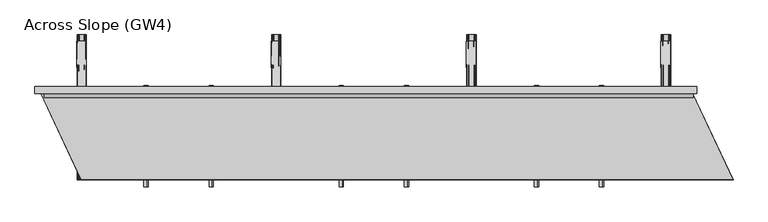
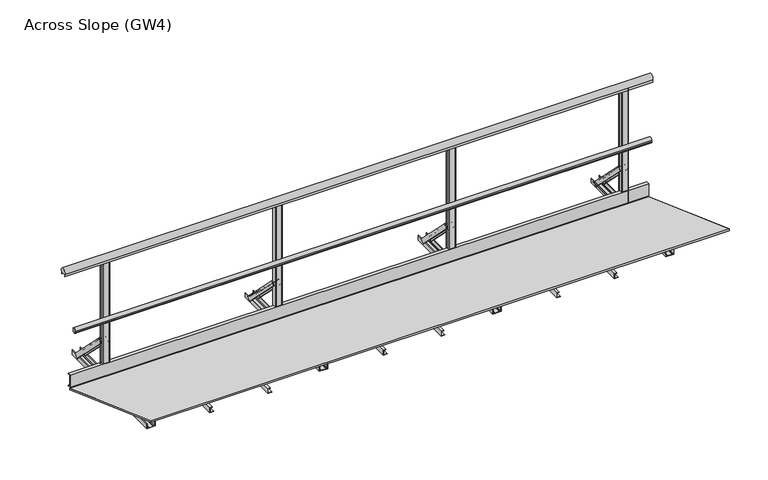
"""IFC4 building model written with IfcOpenShell, lengths in millimetres: proxy geometry, Across Slope (GW4)."""

from ifc_helpers import new_model, si_unit, point, frame, frame_2d, origin, origin_with_axes, place, context, project, spatial, polyline, circle_curve, trimmed, segment, composite_curve, outline, extrude, source, transform, mapped, element, save
from ifc_brep_helpers import plane_surface, extruded_surface, advanced_brep


def across_slope_gw4_aed16dc0(model_context):
    return source(origin(), model_context, "Body", "SolidModel", [
        extrude(outline(polyline([(622.0, 63.0), (597.0, 63.0), (597.0, 163.0), (622.0, 163.0), (622.0, 160.0), (600.0, 160.0), (600.0, 66.0), (622.0, 66.0), (622.0, 63.0)])), frame((0.0, 0.0, 0.0), z_axis=(1.0, 0.0, 0.0), x_axis=(0.0, 1.0, 0.0)), (0.0, 0.0, 1.0), 4489.1400263),
        extrude(outline(polyline([(2e-07, 3878.0133567), (2.0000002, 3878.0133567), (2.0000002, 3850.0133567), (38.0000002, 3850.0133567), (38.0000002, 3868.0133567), (40.0000002, 3868.0133567), (40.0000002, 3848.0133567), (2e-07, 3848.0133567), (2e-07, 3878.0133567)])), frame((0.0, -50.0, 0.0), z_axis=(0.0, 1.0, 0.0), x_axis=(0.0, 0.0, 1.0)), (0.0, 0.0, 1.0), 700.0),
        extrude(outline(polyline([(2e-07, 3429.8866871), (2.0000002, 3429.8866871), (2.0000002, 3401.8866871), (38.0000002, 3401.8866871), (38.0000002, 3419.8866871), (40.0000002, 3419.8866871), (40.0000002, 3399.8866871), (2e-07, 3399.8866871), (2e-07, 3429.8866871)])), frame((0.0, -50.0, 0.0), z_axis=(0.0, 1.0, 0.0), x_axis=(0.0, 0.0, 1.0)), (0.0, 0.0, 1.0), 700.0),
        extrude(outline(composite_curve([segment(polyline([(565.7, 520.617273), (569.7, 520.617273), (569.7, 535.382727), (565.7, 535.382727)]), True, "CONTINUOUS"), segment(trimmed(circle_curve(frame_2d((584.287505, 528.0)), 20.0), [point((565.7, 535.382727))], [point((600.0, 540.3740657))], False, "CARTESIAN"), True, "CONTINUOUS"), segment(polyline([(600.0, 540.3740657), (600.0, 515.6259343)]), True, "CONTINUOUS"), segment(trimmed(circle_curve(frame_2d((584.287505, 528.0)), 20.0), [point((600.0, 515.6259343))], [point((565.7, 520.617273))], False, "CARTESIAN"), True, "CONTINUOUS")], self_intersect=False)), frame((25.0, 0.0, 0.0), z_axis=(1.0, 0.0, 0.0), x_axis=(0.0, 1.0, 0.0)), (0.0, 0.0, 1.0), 4469.1400263),
        extrude(outline(composite_curve([segment(polyline([(640.0, 1001.43534), (640.0, 983.0), (639.0, 983.0), (639.0, 998.0), (599.0, 998.0), (599.0, 983.0), (598.0, 983.0), (598.0, 1001.43534)]), True, "CONTINUOUS"), segment(trimmed(circle_curve(frame_2d((619.0, 1015.0)), 25.0), [point((598.0, 1001.43534))], [point((640.0, 1001.43534))], False, "CARTESIAN"), True, "CONTINUOUS")], self_intersect=False)), frame((-40.0, 0.0, 0.0), z_axis=(1.0, 0.0, 0.0), x_axis=(0.0, 1.0, 0.0)), (0.0, 0.0, 1.0), 4559.1400263),
        extrude(outline(polyline([(2e-07, 2533.6333479), (2.0000002, 2533.6333479), (2.0000002, 2505.6333479), (38.0000002, 2505.6333479), (38.0000002, 2523.6333479), (40.0000002, 2523.6333479), (40.0000002, 2503.6333479), (2e-07, 2503.6333479), (2e-07, 2533.6333479)])), frame((0.0, -50.0, 0.0), z_axis=(0.0, 1.0, 0.0), x_axis=(0.0, 0.0, 1.0)), (0.0, 0.0, 1.0), 700.0),
        extrude(outline(polyline([(2e-07, 2085.5066783), (2.0000002, 2085.5066783), (2.0000002, 2057.5066783), (38.0000002, 2057.5066783), (38.0000002, 2075.5066783), (40.0000002, 2075.5066783), (40.0000002, 2055.5066783), (2e-07, 2055.5066783), (2e-07, 2085.5066783)])), frame((0.0, -50.0, 0.0), z_axis=(0.0, 1.0, 0.0), x_axis=(0.0, 0.0, 1.0)), (0.0, 0.0, 1.0), 700.0),
        extrude(outline(polyline([(2e-07, 1189.2533392), (2.0000002, 1189.2533392), (2.0000002, 1161.2533392), (38.0000002, 1161.2533392), (38.0000002, 1179.2533392), (40.0000002, 1179.2533392), (40.0000002, 1159.2533392), (2e-07, 1159.2533392), (2e-07, 1189.2533392)])), frame((0.0, -50.0, 0.0), z_axis=(0.0, 1.0, 0.0), x_axis=(0.0, 0.0, 1.0)), (0.0, 0.0, 1.0), 700.0),
        extrude(outline(polyline([(2e-07, 741.1266696), (2.0000002, 741.1266696), (2.0000002, 713.1266696), (38.0000002, 713.1266696), (38.0000002, 731.1266696), (40.0000002, 731.1266696), (40.0000002, 711.1266696), (2e-07, 711.1266696), (2e-07, 741.1266696)])), frame((0.0, -50.0, 0.0), z_axis=(0.0, 1.0, 0.0), x_axis=(0.0, 0.0, 1.0)), (0.0, 0.0, 1.0), 700.0),
        extrude(outline(composite_curve([segment(polyline([(2989.7600175, 600.0), (2943.7600175, 600.0)]), True, "CONTINUOUS"), segment(trimmed(circle_curve(frame_2d((2943.7600175, 605.0)), 5.0), [point((2943.7600175, 600.0))], [point((2938.7600175, 605.0))], False, "CARTESIAN"), True, "CONTINUOUS"), segment(polyline([(2938.7600175, 605.0), (2938.7600175, 633.0)]), True, "CONTINUOUS"), segment(trimmed(circle_curve(frame_2d((2943.7600175, 633.0)), 5.0), [point((2938.7600175, 633.0))], [point((2943.7600175, 638.0))], False, "CARTESIAN"), True, "CONTINUOUS"), segment(polyline([(2943.7600175, 638.0), (2989.7600175, 638.0)]), True, "CONTINUOUS"), segment(trimmed(circle_curve(frame_2d((2989.7600175, 633.0)), 5.0), [point((2989.7600175, 638.0))], [point((2994.7600175, 633.0))], False, "CARTESIAN"), True, "CONTINUOUS"), segment(polyline([(2994.7600175, 633.0), (2994.7600175, 605.0)]), True, "CONTINUOUS"), segment(trimmed(circle_curve(frame_2d((2989.7600175, 605.0)), 5.0), [point((2994.7600175, 605.0))], [point((2989.7600175, 600.0))], False, "CARTESIAN"), True, "CONTINUOUS")], self_intersect=False)), frame((0.0, 0.0, 2e-07), z_axis=(0.0, 0.0, 1.0), x_axis=(1.0, 0.0, 0.0)), (0.0, 0.0, 1.0), 998.0),
        advanced_brep(
        [(2931.2600175, 956.2087394, 38.0000002), (2996.2600175, 956.2087394, 38.0000002), (2996.2600175, 930.3993419, 12.1906027), (2993.2600175, 930.3993419, 12.1906027), (2993.2600175, 954.0874191, 35.8786799), (2983.2600175, 954.0874191, 35.8786799), (2983.2600175, 952.3196521, 34.110913), (2982.2600175, 952.3196521, 34.110913), (2982.2600175, 954.0874191, 35.8786799), (2945.2600175, 954.0874191, 35.8786799), (2945.2600175, 952.3196521, 34.110913), (2944.2600175, 952.3196521, 34.110913), (2944.2600175, 954.0874191, 35.8786799), (2934.2600175, 954.0874191, 35.8786799), (2934.2600175, 930.3993419, 12.1906027), (2931.2600175, 930.3993419, 12.1906027), (2934.2600175, 638.0106879, 356.1980518), (2934.2600175, 612.2012904, 330.3886543), (2937.2600175, 612.2012904, 330.3886543), (2937.2600175, 635.8893676, 354.0767314), (2947.2600175, 635.8893676, 354.0767314), (2947.2600175, 634.1216006, 352.3089645), (2948.2600175, 634.1216006, 352.3089645), (2948.2600175, 635.8893676, 354.0767314), (2985.2600175, 635.8893676, 354.0767314), (2985.2600175, 634.1216006, 352.3089645), (2986.2600175, 634.1216006, 352.3089645), (2986.2600175, 635.8893676, 354.0767314), (2996.2600175, 635.8893676, 354.0767314), (2996.2600175, 612.2012904, 330.3886543), (2999.2600175, 612.2012904, 330.3886543), (2999.2600175, 638.0106879, 356.1980518)],
        [
            (0, 1),
            (1, 2),
            (2, 3, circle_curve(frame((2994.7600175, 930.3993419, 12.1906027), z_axis=(0.0, 0.7071067811865434, -0.7071067811865518), x_axis=(0.0, -0.7071067811865518, -0.7071067811865434)), 1.5)),
            (3, 4),
            (4, 5),
            (5, 6),
            (6, 7, circle_curve(frame((2982.7600175, 952.3196521, 34.110913), z_axis=(0.0, 0.7071067811865434, -0.7071067811865518), x_axis=(0.0, -0.7071067811865518, -0.7071067811865434)), 0.5)),
            (7, 8),
            (8, 9),
            (9, 10),
            (10, 11, circle_curve(frame((2944.7600175, 952.3196521, 34.110913), z_axis=(0.0, 0.7071067811865434, -0.7071067811865518), x_axis=(0.0, -0.7071067811865518, -0.7071067811865434)), 0.5)),
            (11, 12),
            (12, 13),
            (13, 14),
            (14, 15, circle_curve(frame((2932.7600175, 930.3993419, 12.1906027), z_axis=(0.0, 0.7071067811865434, -0.7071067811865518), x_axis=(0.0, -0.7071067811865518, -0.7071067811865434)), 1.5)),
            (15, 0),
            (16, 17),
            (17, 18, circle_curve(frame((2935.7600175, 612.2012904, 330.3886543), z_axis=(0.0, -0.7071067811865434, 0.7071067811865518), x_axis=(0.0, -0.7071067811865518, -0.7071067811865434)), 1.5)),
            (18, 19),
            (19, 20),
            (20, 21),
            (21, 22, circle_curve(frame((2947.7600175, 634.1216006, 352.3089645), z_axis=(0.0, -0.7071067811865434, 0.7071067811865518), x_axis=(0.0, -0.7071067811865518, -0.7071067811865434)), 0.5)),
            (22, 23),
            (23, 24),
            (24, 25),
            (25, 26, circle_curve(frame((2985.7600175, 634.1216006, 352.3089645), z_axis=(0.0, -0.7071067811865434, 0.7071067811865518), x_axis=(0.0, -0.7071067811865518, -0.7071067811865434)), 0.5)),
            (26, 27),
            (27, 28),
            (28, 29),
            (29, 30, circle_curve(frame((2997.7600175, 612.2012904, 330.3886543), z_axis=(0.0, -0.7071067811865434, 0.7071067811865518), x_axis=(0.0, -0.7071067811865518, -0.7071067811865434)), 1.5)),
            (30, 31),
            (31, 16),
            (16, 0),
            (15, 17),
            (14, 18),
            (13, 19),
            (12, 20),
            (11, 21),
            (10, 22),
            (9, 23),
            (8, 24),
            (7, 25),
            (6, 26),
            (5, 27),
            (4, 28),
            (3, 29),
            (2, 30),
            (1, 31),
        ],
        [
            plane_surface(frame((2963.7600175, 947.9886231, 29.7798839), z_axis=(0.0, 0.7071067811865431, -0.7071067811865519), x_axis=(0.0, -0.7071067811865519, -0.7071067811865431))),
            plane_surface(frame((2966.7600175, 629.7905716, 347.9779354), z_axis=(0.0, -0.7071067811865432, 0.7071067811865518), x_axis=(0.0, -0.7071067811865518, -0.7071067811865432))),
            plane_surface(frame((2934.2600175, 625.1059891, 343.293353), z_axis=(-0.9999777785184911, -0.004713940454842056, 0.00471394045484199), x_axis=(0.0, -0.7071067811865519, -0.7071067811865431))),
            extruded_surface(trimmed(circle_curve(frame((2932.7600175, 930.3993419, 12.1906027), z_axis=(0.0, -0.7071067811865434, 0.7071067811865518), x_axis=(0.0, -0.7071067811865518, -0.7071067811865434)), 1.5), [point((2931.2600175, 930.3993419, 12.1906027))], [point((2934.2600175, 930.3993419, 12.1906027))], True, "CARTESIAN"), (3.0, -318.1980515, 318.1980516), 450.0099999115941),
            plane_surface(frame((2937.2600175, 624.045329, 342.2326929), z_axis=(0.9999777785184913, 0.004713940454842056, -0.004713940454841989), x_axis=(0.0, 0.707106781186552, 0.7071067811865432))),
            plane_surface(frame((2942.2600175, 635.8893676, 354.0767314), z_axis=(0.0, -0.7071067811865522, -0.7071067811865428), x_axis=(1.0, 0.0, 0.0))),
            plane_surface(frame((2947.2600175, 635.0054841, 353.192848), z_axis=(-0.9999777785184911, -0.004713940454842032, 0.004713940454842015), x_axis=(0.0, -0.7071067811865557, -0.7071067811865394))),
            extruded_surface(trimmed(circle_curve(frame((2944.7600175, 952.3196521, 34.110913), z_axis=(0.0, -0.7071067811865434, 0.7071067811865518), x_axis=(0.0, -0.7071067811865518, -0.7071067811865434)), 0.5), [point((2944.2600175, 952.3196521, 34.110913))], [point((2945.2600175, 952.3196521, 34.110913))], True, "CARTESIAN"), (3.0, -318.1980515, 318.1980515), 450.00999984088503),
            plane_surface(frame((2948.2600175, 635.0054841, 353.192848), z_axis=(0.9999777785184911, 0.004713940454842046, -0.004713940454842029), x_axis=(0.0, 0.7071067811865557, 0.7071067811865394))),
            plane_surface(frame((2966.7600175, 635.8893676, 354.0767314), z_axis=(0.0, -0.7071067811865522, -0.7071067811865428), x_axis=(1.0, 0.0, 0.0))),
            plane_surface(frame((2985.2600175, 635.0054841, 353.192848), z_axis=(-0.9999777785184911, -0.004713940454842039, 0.004713940454842022), x_axis=(0.0, -0.7071067811865557, -0.7071067811865394))),
            extruded_surface(trimmed(circle_curve(frame((2982.7600175, 952.3196521, 34.110913), z_axis=(0.0, -0.7071067811865434, 0.7071067811865518), x_axis=(0.0, -0.7071067811865518, -0.7071067811865434)), 0.5), [point((2982.2600175, 952.3196521, 34.110913))], [point((2983.2600175, 952.3196521, 34.110913))], True, "CARTESIAN"), (3.0, -318.1980515, 318.1980515), 450.00999984088503),
            plane_surface(frame((2986.2600175, 635.0054841, 353.192848), z_axis=(0.9999777785184911, 0.004713940454842066, -0.004713940454841993), x_axis=(0.0, 0.7071067811865515, 0.7071067811865436))),
            plane_surface(frame((2991.2600175, 635.8893676, 354.0767314), z_axis=(0.0, -0.707106781186552, -0.707106781186543), x_axis=(1.0, 0.0, 0.0))),
            plane_surface(frame((2996.2600175, 624.045329, 342.2326929), z_axis=(-0.9999777785184913, -0.004713940454842063, 0.004713940454841996), x_axis=(0.0, -0.707106781186552, -0.7071067811865432))),
            extruded_surface(trimmed(circle_curve(frame((2994.7600175, 930.3993419, 12.1906027), z_axis=(0.0, -0.7071067811865434, 0.7071067811865518), x_axis=(0.0, -0.7071067811865518, -0.7071067811865434)), 1.5), [point((2993.2600175, 930.3993419, 12.1906027))], [point((2996.2600175, 930.3993419, 12.1906027))], True, "CARTESIAN"), (3.0, -318.1980515, 318.1980516), 450.0099999115941),
            plane_surface(frame((2999.2600175, 625.1059891, 343.293353), z_axis=(0.9999777785184911, 0.004713940454842065, -0.0047139404548419955), x_axis=(0.0, 0.7071067811865517, 0.7071067811865434))),
            plane_surface(frame((2966.7600175, 638.0106879, 356.1980518), z_axis=(0.0, 0.7071067811865523, 0.7071067811865427), x_axis=(-1.0, 0.0, 0.0))),
        ],
        [
            (0, [[1, 2, 3, 4, 5, 6, 7, 8, 9, 10, 11, 12, 13, 14, 15, 16]]),
            (1, [[17, 18, 19, 20, 21, 22, 23, 24, 25, 26, 27, 28, 29, 30, 31, 32]]),
            (2, [[33, -16, 34, -17]]),
            (3, [[-34, -15, 35, -18]]),
            (4, [[-35, -14, 36, -19]]),
            (5, [[-36, -13, 37, -20]]),
            (6, [[-37, -12, 38, -21]]),
            (7, [[-38, -11, 39, -22]]),
            (8, [[-39, -10, 40, -23]]),
            (9, [[-40, -9, 41, -24]]),
            (10, [[-41, -8, 42, -25]]),
            (11, [[-42, -7, 43, -26]]),
            (12, [[-43, -6, 44, -27]]),
            (13, [[-44, -5, 45, -28]]),
            (14, [[-45, -4, 46, -29]]),
            (15, [[-46, -3, 47, -30]]),
            (16, [[-47, -2, 48, -31]]),
            (17, [[-48, -1, -33, -32]]),
        ],
    ),
        extrude(outline(composite_curve([segment(polyline([(2e-07, 2934.2600175), (2e-07, 2999.2600175), (36.5000002, 2999.2600175)]), True, "CONTINUOUS"), segment(trimmed(circle_curve(frame_2d((36.5000002, 2997.7600175)), 1.5), [point((36.5000002, 2999.2600175))], [point((36.5000002, 2996.2600175))], False, "CARTESIAN"), True, "CONTINUOUS"), segment(polyline([(36.5000002, 2996.2600175), (3.0000002, 2996.2600175), (3.0000002, 2986.2600175), (5.5000002, 2986.2600175)]), True, "CONTINUOUS"), segment(trimmed(circle_curve(frame_2d((5.5000002, 2985.7600175)), 0.5), [point((5.5000002, 2986.2600175))], [point((5.5000002, 2985.2600175))], False, "CARTESIAN"), True, "CONTINUOUS"), segment(polyline([(5.5000002, 2985.2600175), (3.0000002, 2985.2600175), (3.0000002, 2948.2600175), (5.5000002, 2948.2600175)]), True, "CONTINUOUS"), segment(trimmed(circle_curve(frame_2d((5.5000002, 2947.7600175)), 0.5), [point((5.5000002, 2948.2600175))], [point((5.5000002, 2947.2600175))], False, "CARTESIAN"), True, "CONTINUOUS"), segment(polyline([(5.5000002, 2947.2600175), (3.0000002, 2947.2600175), (3.0000002, 2937.2600175), (36.5000002, 2937.2600175)]), True, "CONTINUOUS"), segment(trimmed(circle_curve(frame_2d((36.5000002, 2935.7600175)), 1.5), [point((36.5000002, 2937.2600175))], [point((36.5000002, 2934.2600175))], False, "CARTESIAN"), True, "CONTINUOUS"), segment(polyline([(36.5000002, 2934.2600175), (2e-07, 2934.2600175)]), True, "CONTINUOUS")], self_intersect=False)), frame((0.0, 0.0, 0.0), z_axis=(0.0, 1.0, 0.0), x_axis=(0.0, 0.0, 1.0)), (0.0, 0.0, 1.0), 1000.0),
        extrude(outline(composite_curve([segment(polyline([(1645.3800088, 600.0), (1599.3800088, 600.0)]), True, "CONTINUOUS"), segment(trimmed(circle_curve(frame_2d((1599.3800088, 605.0)), 5.0), [point((1599.3800088, 600.0))], [point((1594.3800088, 605.0))], False, "CARTESIAN"), True, "CONTINUOUS"), segment(polyline([(1594.3800088, 605.0), (1594.3800088, 633.0)]), True, "CONTINUOUS"), segment(trimmed(circle_curve(frame_2d((1599.3800088, 633.0)), 5.0), [point((1594.3800088, 633.0))], [point((1599.3800088, 638.0))], False, "CARTESIAN"), True, "CONTINUOUS"), segment(polyline([(1599.3800088, 638.0), (1645.3800088, 638.0)]), True, "CONTINUOUS"), segment(trimmed(circle_curve(frame_2d((1645.3800088, 633.0)), 5.0), [point((1645.3800088, 638.0))], [point((1650.3800088, 633.0))], False, "CARTESIAN"), True, "CONTINUOUS"), segment(polyline([(1650.3800088, 633.0), (1650.3800088, 605.0)]), True, "CONTINUOUS"), segment(trimmed(circle_curve(frame_2d((1645.3800088, 605.0)), 5.0), [point((1650.3800088, 605.0))], [point((1645.3800088, 600.0))], False, "CARTESIAN"), True, "CONTINUOUS")], self_intersect=False)), frame((0.0, 0.0, 2e-07), z_axis=(0.0, 0.0, 1.0), x_axis=(1.0, 0.0, 0.0)), (0.0, 0.0, 1.0), 998.0),
        advanced_brep(
        [(1586.8800088, 956.2087394, 38.0000002), (1651.8800088, 956.2087394, 38.0000002), (1651.8800088, 930.3993419, 12.1906027), (1648.8800088, 930.3993419, 12.1906027), (1648.8800088, 954.0874191, 35.8786799), (1638.8800088, 954.0874191, 35.8786799), (1638.8800088, 952.3196521, 34.110913), (1637.8800088, 952.3196521, 34.110913), (1637.8800088, 954.0874191, 35.8786799), (1600.8800088, 954.0874191, 35.8786799), (1600.8800088, 952.3196521, 34.110913), (1599.8800088, 952.3196521, 34.110913), (1599.8800088, 954.0874191, 35.8786799), (1589.8800088, 954.0874191, 35.8786799), (1589.8800088, 930.3993419, 12.1906027), (1586.8800088, 930.3993419, 12.1906027), (1589.8800088, 638.0106879, 356.1980518), (1589.8800088, 612.2012904, 330.3886543), (1592.8800088, 612.2012904, 330.3886543), (1592.8800088, 635.8893676, 354.0767314), (1602.8800088, 635.8893676, 354.0767314), (1602.8800088, 634.1216006, 352.3089645), (1603.8800088, 634.1216006, 352.3089645), (1603.8800088, 635.8893676, 354.0767314), (1640.8800088, 635.8893676, 354.0767314), (1640.8800088, 634.1216006, 352.3089645), (1641.8800088, 634.1216006, 352.3089645), (1641.8800088, 635.8893676, 354.0767314), (1651.8800088, 635.8893676, 354.0767314), (1651.8800088, 612.2012904, 330.3886543), (1654.8800088, 612.2012904, 330.3886543), (1654.8800088, 638.0106879, 356.1980518)],
        [
            (0, 1),
            (1, 2),
            (2, 3, circle_curve(frame((1650.3800088, 930.3993419, 12.1906027), z_axis=(0.0, 0.7071067811865434, -0.7071067811865518), x_axis=(0.0, -0.7071067811865518, -0.7071067811865434)), 1.5)),
            (3, 4),
            (4, 5),
            (5, 6),
            (6, 7, circle_curve(frame((1638.3800088, 952.3196521, 34.110913), z_axis=(0.0, 0.7071067811865434, -0.7071067811865518), x_axis=(0.0, -0.7071067811865518, -0.7071067811865434)), 0.5)),
            (7, 8),
            (8, 9),
            (9, 10),
            (10, 11, circle_curve(frame((1600.3800088, 952.3196521, 34.110913), z_axis=(0.0, 0.7071067811865434, -0.7071067811865518), x_axis=(0.0, -0.7071067811865518, -0.7071067811865434)), 0.5)),
            (11, 12),
            (12, 13),
            (13, 14),
            (14, 15, circle_curve(frame((1588.3800088, 930.3993419, 12.1906027), z_axis=(0.0, 0.7071067811865434, -0.7071067811865518), x_axis=(0.0, -0.7071067811865518, -0.7071067811865434)), 1.5)),
            (15, 0),
            (16, 17),
            (17, 18, circle_curve(frame((1591.3800088, 612.2012904, 330.3886543), z_axis=(0.0, -0.7071067811865434, 0.7071067811865518), x_axis=(0.0, -0.7071067811865518, -0.7071067811865434)), 1.5)),
            (18, 19),
            (19, 20),
            (20, 21),
            (21, 22, circle_curve(frame((1603.3800088, 634.1216006, 352.3089645), z_axis=(0.0, -0.7071067811865434, 0.7071067811865518), x_axis=(0.0, -0.7071067811865518, -0.7071067811865434)), 0.5)),
            (22, 23),
            (23, 24),
            (24, 25),
            (25, 26, circle_curve(frame((1641.3800088, 634.1216006, 352.3089645), z_axis=(0.0, -0.7071067811865434, 0.7071067811865518), x_axis=(0.0, -0.7071067811865518, -0.7071067811865434)), 0.5)),
            (26, 27),
            (27, 28),
            (28, 29),
            (29, 30, circle_curve(frame((1653.3800088, 612.2012904, 330.3886543), z_axis=(0.0, -0.7071067811865434, 0.7071067811865518), x_axis=(0.0, -0.7071067811865518, -0.7071067811865434)), 1.5)),
            (30, 31),
            (31, 16),
            (16, 0),
            (15, 17),
            (14, 18),
            (13, 19),
            (12, 20),
            (11, 21),
            (10, 22),
            (9, 23),
            (8, 24),
            (7, 25),
            (6, 26),
            (5, 27),
            (4, 28),
            (3, 29),
            (2, 30),
            (1, 31),
        ],
        [
            plane_surface(frame((1619.3800088, 947.9886231, 29.7798839), z_axis=(0.0, 0.7071067811865431, -0.7071067811865519), x_axis=(0.0, -0.7071067811865519, -0.7071067811865431))),
            plane_surface(frame((1622.3800088, 629.7905716, 347.9779354), z_axis=(0.0, -0.7071067811865432, 0.7071067811865518), x_axis=(0.0, -0.7071067811865518, -0.7071067811865432))),
            plane_surface(frame((1589.8800088, 625.1059891, 343.293353), z_axis=(-0.9999777785184911, -0.004713940454842056, 0.00471394045484199), x_axis=(0.0, -0.7071067811865519, -0.7071067811865431))),
            extruded_surface(trimmed(circle_curve(frame((1588.3800088, 930.3993419, 12.1906027), z_axis=(0.0, -0.7071067811865434, 0.7071067811865518), x_axis=(0.0, -0.7071067811865518, -0.7071067811865434)), 1.5), [point((1586.8800088, 930.3993419, 12.1906027))], [point((1589.8800088, 930.3993419, 12.1906027))], True, "CARTESIAN"), (3.0, -318.1980515, 318.1980516), 450.0099999115941),
            plane_surface(frame((1592.8800088, 624.045329, 342.2326929), z_axis=(0.9999777785184913, 0.004713940454842056, -0.004713940454841989), x_axis=(0.0, 0.707106781186552, 0.7071067811865432))),
            plane_surface(frame((1597.8800088, 635.8893676, 354.0767314), z_axis=(0.0, -0.7071067811865522, -0.7071067811865428), x_axis=(1.0, 0.0, 0.0))),
            plane_surface(frame((1602.8800088, 635.0054841, 353.192848), z_axis=(-0.9999777785184911, -0.004713940454842032, 0.004713940454842015), x_axis=(0.0, -0.7071067811865557, -0.7071067811865394))),
            extruded_surface(trimmed(circle_curve(frame((1600.3800088, 952.3196521, 34.110913), z_axis=(0.0, -0.7071067811865434, 0.7071067811865518), x_axis=(0.0, -0.7071067811865518, -0.7071067811865434)), 0.5), [point((1599.8800088, 952.3196521, 34.110913))], [point((1600.8800088, 952.3196521, 34.110913))], True, "CARTESIAN"), (3.0, -318.1980515, 318.1980515), 450.00999984088503),
            plane_surface(frame((1603.8800088, 635.0054841, 353.192848), z_axis=(0.9999777785184911, 0.004713940454842046, -0.004713940454842029), x_axis=(0.0, 0.7071067811865557, 0.7071067811865394))),
            plane_surface(frame((1622.3800088, 635.8893676, 354.0767314), z_axis=(0.0, -0.7071067811865522, -0.7071067811865428), x_axis=(1.0, 0.0, 0.0))),
            plane_surface(frame((1640.8800088, 635.0054841, 353.192848), z_axis=(-0.9999777785184911, -0.004713940454842039, 0.004713940454842022), x_axis=(0.0, -0.7071067811865557, -0.7071067811865394))),
            extruded_surface(trimmed(circle_curve(frame((1638.3800088, 952.3196521, 34.110913), z_axis=(0.0, -0.7071067811865434, 0.7071067811865518), x_axis=(0.0, -0.7071067811865518, -0.7071067811865434)), 0.5), [point((1637.8800088, 952.3196521, 34.110913))], [point((1638.8800088, 952.3196521, 34.110913))], True, "CARTESIAN"), (3.0, -318.1980515, 318.1980515), 450.00999984088503),
            plane_surface(frame((1641.8800088, 635.0054841, 353.192848), z_axis=(0.9999777785184911, 0.004713940454842066, -0.004713940454841993), x_axis=(0.0, 0.7071067811865515, 0.7071067811865436))),
            plane_surface(frame((1646.8800088, 635.8893676, 354.0767314), z_axis=(0.0, -0.707106781186552, -0.707106781186543), x_axis=(1.0, 0.0, 0.0))),
            plane_surface(frame((1651.8800088, 624.045329, 342.2326929), z_axis=(-0.9999777785184913, -0.004713940454842063, 0.004713940454841996), x_axis=(0.0, -0.707106781186552, -0.7071067811865432))),
            extruded_surface(trimmed(circle_curve(frame((1650.3800088, 930.3993419, 12.1906027), z_axis=(0.0, -0.7071067811865434, 0.7071067811865518), x_axis=(0.0, -0.7071067811865518, -0.7071067811865434)), 1.5), [point((1648.8800088, 930.3993419, 12.1906027))], [point((1651.8800088, 930.3993419, 12.1906027))], True, "CARTESIAN"), (3.0, -318.1980515, 318.1980516), 450.0099999115941),
            plane_surface(frame((1654.8800088, 625.1059891, 343.293353), z_axis=(0.9999777785184911, 0.004713940454842065, -0.0047139404548419955), x_axis=(0.0, 0.7071067811865517, 0.7071067811865434))),
            plane_surface(frame((1622.3800088, 638.0106879, 356.1980518), z_axis=(0.0, 0.7071067811865523, 0.7071067811865427), x_axis=(-1.0, 0.0, 0.0))),
        ],
        [
            (0, [[1, 2, 3, 4, 5, 6, 7, 8, 9, 10, 11, 12, 13, 14, 15, 16]]),
            (1, [[17, 18, 19, 20, 21, 22, 23, 24, 25, 26, 27, 28, 29, 30, 31, 32]]),
            (2, [[33, -16, 34, -17]]),
            (3, [[-34, -15, 35, -18]]),
            (4, [[-35, -14, 36, -19]]),
            (5, [[-36, -13, 37, -20]]),
            (6, [[-37, -12, 38, -21]]),
            (7, [[-38, -11, 39, -22]]),
            (8, [[-39, -10, 40, -23]]),
            (9, [[-40, -9, 41, -24]]),
            (10, [[-41, -8, 42, -25]]),
            (11, [[-42, -7, 43, -26]]),
            (12, [[-43, -6, 44, -27]]),
            (13, [[-44, -5, 45, -28]]),
            (14, [[-45, -4, 46, -29]]),
            (15, [[-46, -3, 47, -30]]),
            (16, [[-47, -2, 48, -31]]),
            (17, [[-48, -1, -33, -32]]),
        ],
    ),
        extrude(outline(composite_curve([segment(polyline([(2e-07, 1589.8800088), (2e-07, 1654.8800088), (36.5000002, 1654.8800088)]), True, "CONTINUOUS"), segment(trimmed(circle_curve(frame_2d((36.5000002, 1653.3800088)), 1.5), [point((36.5000002, 1654.8800088))], [point((36.5000002, 1651.8800088))], False, "CARTESIAN"), True, "CONTINUOUS"), segment(polyline([(36.5000002, 1651.8800088), (3.0000002, 1651.8800088), (3.0000002, 1641.8800088), (5.5000002, 1641.8800088)]), True, "CONTINUOUS"), segment(trimmed(circle_curve(frame_2d((5.5000002, 1641.3800088)), 0.5), [point((5.5000002, 1641.8800088))], [point((5.5000002, 1640.8800088))], False, "CARTESIAN"), True, "CONTINUOUS"), segment(polyline([(5.5000002, 1640.8800088), (3.0000002, 1640.8800088), (3.0000002, 1603.8800088), (5.5000002, 1603.8800088)]), True, "CONTINUOUS"), segment(trimmed(circle_curve(frame_2d((5.5000002, 1603.3800088)), 0.5), [point((5.5000002, 1603.8800088))], [point((5.5000002, 1602.8800088))], False, "CARTESIAN"), True, "CONTINUOUS"), segment(polyline([(5.5000002, 1602.8800088), (3.0000002, 1602.8800088), (3.0000002, 1592.8800088), (36.5000002, 1592.8800088)]), True, "CONTINUOUS"), segment(trimmed(circle_curve(frame_2d((36.5000002, 1591.3800088)), 1.5), [point((36.5000002, 1592.8800088))], [point((36.5000002, 1589.8800088))], False, "CARTESIAN"), True, "CONTINUOUS"), segment(polyline([(36.5000002, 1589.8800088), (2e-07, 1589.8800088)]), True, "CONTINUOUS")], self_intersect=False)), frame((0.0, 0.0, 0.0), z_axis=(0.0, 1.0, 0.0), x_axis=(0.0, 0.0, 1.0)), (0.0, 0.0, 1.0), 1000.0),
        extrude(outline(composite_curve([segment(polyline([(4329.6400263, 600.0), (4283.6400263, 600.0)]), True, "CONTINUOUS"), segment(trimmed(circle_curve(frame_2d((4283.6400263, 605.0)), 5.0), [point((4283.6400263, 600.0))], [point((4278.6400263, 605.0))], False, "CARTESIAN"), True, "CONTINUOUS"), segment(polyline([(4278.6400263, 605.0), (4278.6400263, 633.0)]), True, "CONTINUOUS"), segment(trimmed(circle_curve(frame_2d((4283.6400263, 633.0)), 5.0), [point((4278.6400263, 633.0))], [point((4283.6400263, 638.0))], False, "CARTESIAN"), True, "CONTINUOUS"), segment(polyline([(4283.6400263, 638.0), (4329.6400263, 638.0)]), True, "CONTINUOUS"), segment(trimmed(circle_curve(frame_2d((4329.6400263, 633.0)), 5.0), [point((4329.6400263, 638.0))], [point((4334.6400263, 633.0))], False, "CARTESIAN"), True, "CONTINUOUS"), segment(polyline([(4334.6400263, 633.0), (4334.6400263, 605.0)]), True, "CONTINUOUS"), segment(trimmed(circle_curve(frame_2d((4329.6400263, 605.0)), 5.0), [point((4334.6400263, 605.0))], [point((4329.6400263, 600.0))], False, "CARTESIAN"), True, "CONTINUOUS")], self_intersect=False)), origin_with_axes(), (0.0, 0.0, 1.0), 998.0),
        advanced_brep(
        [(4271.1400263, 956.2087394, 38.0), (4336.1400263, 956.2087394, 38.0), (4336.1400263, 930.3993419, 12.1906025), (4333.1400263, 930.3993419, 12.1906025), (4333.1400263, 954.0874191, 35.8786797), (4323.1400263, 954.0874191, 35.8786797), (4323.1400263, 952.3196521, 34.1109127), (4322.1400263, 952.3196521, 34.1109127), (4322.1400263, 954.0874191, 35.8786797), (4285.1400263, 954.0874191, 35.8786797), (4285.1400263, 952.3196521, 34.1109127), (4284.1400263, 952.3196521, 34.1109127), (4284.1400263, 954.0874191, 35.8786797), (4274.1400263, 954.0874191, 35.8786797), (4274.1400263, 930.3993419, 12.1906025), (4271.1400263, 930.3993419, 12.1906025), (4274.1400263, 638.0106879, 356.1980516), (4274.1400263, 612.2012904, 330.3886541), (4277.1400263, 612.2012904, 330.3886541), (4277.1400263, 635.8893676, 354.0767312), (4287.1400263, 635.8893676, 354.0767312), (4287.1400263, 634.1216006, 352.3089643), (4288.1400263, 634.1216006, 352.3089643), (4288.1400263, 635.8893676, 354.0767312), (4325.1400263, 635.8893676, 354.0767312), (4325.1400263, 634.1216006, 352.3089643), (4326.1400263, 634.1216006, 352.3089643), (4326.1400263, 635.8893676, 354.0767312), (4336.1400263, 635.8893676, 354.0767312), (4336.1400263, 612.2012904, 330.3886541), (4339.1400263, 612.2012904, 330.3886541), (4339.1400263, 638.0106879, 356.1980516)],
        [
            (0, 1),
            (1, 2),
            (2, 3, circle_curve(frame((4334.6400263, 930.3993419, 12.1906025), z_axis=(0.0, 0.7071067811865434, -0.7071067811865518), x_axis=(0.0, -0.7071067811865518, -0.7071067811865434)), 1.5)),
            (3, 4),
            (4, 5),
            (5, 6),
            (6, 7, circle_curve(frame((4322.6400263, 952.3196521, 34.1109127), z_axis=(0.0, 0.7071067811865434, -0.7071067811865518), x_axis=(0.0, -0.7071067811865518, -0.7071067811865434)), 0.5)),
            (7, 8),
            (8, 9),
            (9, 10),
            (10, 11, circle_curve(frame((4284.6400263, 952.3196521, 34.1109127), z_axis=(0.0, 0.7071067811865434, -0.7071067811865518), x_axis=(0.0, -0.7071067811865518, -0.7071067811865434)), 0.5)),
            (11, 12),
            (12, 13),
            (13, 14),
            (14, 15, circle_curve(frame((4272.6400263, 930.3993419, 12.1906025), z_axis=(0.0, 0.7071067811865434, -0.7071067811865518), x_axis=(0.0, -0.7071067811865518, -0.7071067811865434)), 1.5)),
            (15, 0),
            (16, 17),
            (17, 18, circle_curve(frame((4275.6400263, 612.2012904, 330.3886541), z_axis=(0.0, -0.7071067811865434, 0.7071067811865518), x_axis=(0.0, -0.7071067811865518, -0.7071067811865434)), 1.5)),
            (18, 19),
            (19, 20),
            (20, 21),
            (21, 22, circle_curve(frame((4287.6400263, 634.1216006, 352.3089643), z_axis=(0.0, -0.7071067811865434, 0.7071067811865518), x_axis=(0.0, -0.7071067811865518, -0.7071067811865434)), 0.5)),
            (22, 23),
            (23, 24),
            (24, 25),
            (25, 26, circle_curve(frame((4325.6400263, 634.1216006, 352.3089643), z_axis=(0.0, -0.7071067811865434, 0.7071067811865518), x_axis=(0.0, -0.7071067811865518, -0.7071067811865434)), 0.5)),
            (26, 27),
            (27, 28),
            (28, 29),
            (29, 30, circle_curve(frame((4337.6400263, 612.2012904, 330.3886541), z_axis=(0.0, -0.7071067811865434, 0.7071067811865518), x_axis=(0.0, -0.7071067811865518, -0.7071067811865434)), 1.5)),
            (30, 31),
            (31, 16),
            (16, 0),
            (15, 17),
            (14, 18),
            (13, 19),
            (12, 20),
            (11, 21),
            (10, 22),
            (9, 23),
            (8, 24),
            (7, 25),
            (6, 26),
            (5, 27),
            (4, 28),
            (3, 29),
            (2, 30),
            (1, 31),
        ],
        [
            plane_surface(frame((4303.6400263, 947.9886231, 29.7798837), z_axis=(0.0, 0.7071067811865431, -0.7071067811865519), x_axis=(0.0, -0.7071067811865519, -0.7071067811865431))),
            plane_surface(frame((4306.6400263, 629.7905716, 347.9779352), z_axis=(0.0, -0.7071067811865432, 0.7071067811865518), x_axis=(0.0, -0.7071067811865518, -0.7071067811865432))),
            plane_surface(frame((4274.1400263, 625.1059891, 343.2933528), z_axis=(-0.9999777785184911, -0.004713940454842056, 0.00471394045484199), x_axis=(0.0, -0.7071067811865519, -0.7071067811865431))),
            extruded_surface(trimmed(circle_curve(frame((4272.6400263, 930.3993419, 12.1906025), z_axis=(0.0, -0.7071067811865434, 0.7071067811865518), x_axis=(0.0, -0.7071067811865518, -0.7071067811865434)), 1.5), [point((4271.1400263, 930.3993419, 12.1906025))], [point((4274.1400263, 930.3993419, 12.1906025))], True, "CARTESIAN"), (3.0, -318.1980515, 318.1980516), 450.0099999115941),
            plane_surface(frame((4277.1400263, 624.045329, 342.2326926), z_axis=(0.9999777785184913, 0.004713940454842056, -0.004713940454841989), x_axis=(0.0, 0.707106781186552, 0.7071067811865432))),
            plane_surface(frame((4282.1400263, 635.8893676, 354.0767312), z_axis=(0.0, -0.7071067811865522, -0.7071067811865428), x_axis=(1.0, 0.0, 0.0))),
            plane_surface(frame((4287.1400263, 635.0054841, 353.1928478), z_axis=(-0.9999777785184911, -0.004713940454842032, 0.004713940454842015), x_axis=(0.0, -0.7071067811865557, -0.7071067811865394))),
            extruded_surface(trimmed(circle_curve(frame((4284.6400263, 952.3196521, 34.1109127), z_axis=(0.0, -0.7071067811865434, 0.7071067811865518), x_axis=(0.0, -0.7071067811865518, -0.7071067811865434)), 0.5), [point((4284.1400263, 952.3196521, 34.1109127))], [point((4285.1400263, 952.3196521, 34.1109127))], True, "CARTESIAN"), (3.0, -318.1980515, 318.1980516), 450.0099999115941),
            plane_surface(frame((4288.1400263, 635.0054841, 353.1928478), z_axis=(0.9999777785184911, 0.004713940454842046, -0.004713940454842029), x_axis=(0.0, 0.7071067811865557, 0.7071067811865394))),
            plane_surface(frame((4306.6400263, 635.8893676, 354.0767312), z_axis=(0.0, -0.7071067811865522, -0.7071067811865428), x_axis=(1.0, 0.0, 0.0))),
            plane_surface(frame((4325.1400263, 635.0054841, 353.1928478), z_axis=(-0.9999777785184911, -0.004713940454842039, 0.004713940454842022), x_axis=(0.0, -0.7071067811865557, -0.7071067811865394))),
            extruded_surface(trimmed(circle_curve(frame((4322.6400263, 952.3196521, 34.1109127), z_axis=(0.0, -0.7071067811865434, 0.7071067811865518), x_axis=(0.0, -0.7071067811865518, -0.7071067811865434)), 0.5), [point((4322.1400263, 952.3196521, 34.1109127))], [point((4323.1400263, 952.3196521, 34.1109127))], True, "CARTESIAN"), (3.0, -318.1980515, 318.1980516), 450.0099999115941),
            plane_surface(frame((4326.1400263, 635.0054841, 353.1928478), z_axis=(0.9999777785184911, 0.004713940454842066, -0.004713940454841993), x_axis=(0.0, 0.7071067811865515, 0.7071067811865436))),
            plane_surface(frame((4331.1400263, 635.8893676, 354.0767312), z_axis=(0.0, -0.707106781186552, -0.707106781186543), x_axis=(1.0, 0.0, 0.0))),
            plane_surface(frame((4336.1400263, 624.045329, 342.2326926), z_axis=(-0.9999777785184913, -0.004713940454842063, 0.004713940454841996), x_axis=(0.0, -0.707106781186552, -0.7071067811865432))),
            extruded_surface(trimmed(circle_curve(frame((4334.6400263, 930.3993419, 12.1906025), z_axis=(0.0, -0.7071067811865434, 0.7071067811865518), x_axis=(0.0, -0.7071067811865518, -0.7071067811865434)), 1.5), [point((4333.1400263, 930.3993419, 12.1906025))], [point((4336.1400263, 930.3993419, 12.1906025))], True, "CARTESIAN"), (3.0, -318.1980515, 318.1980516), 450.0099999115941),
            plane_surface(frame((4339.1400263, 625.1059891, 343.2933528), z_axis=(0.9999777785184911, 0.004713940454842065, -0.0047139404548419955), x_axis=(0.0, 0.7071067811865517, 0.7071067811865434))),
            plane_surface(frame((4306.6400263, 638.0106879, 356.1980516), z_axis=(0.0, 0.7071067811865523, 0.7071067811865427), x_axis=(-1.0, 0.0, 0.0))),
        ],
        [
            (0, [[1, 2, 3, 4, 5, 6, 7, 8, 9, 10, 11, 12, 13, 14, 15, 16]]),
            (1, [[17, 18, 19, 20, 21, 22, 23, 24, 25, 26, 27, 28, 29, 30, 31, 32]]),
            (2, [[33, -16, 34, -17]]),
            (3, [[-34, -15, 35, -18]]),
            (4, [[-35, -14, 36, -19]]),
            (5, [[-36, -13, 37, -20]]),
            (6, [[-37, -12, 38, -21]]),
            (7, [[-38, -11, 39, -22]]),
            (8, [[-39, -10, 40, -23]]),
            (9, [[-40, -9, 41, -24]]),
            (10, [[-41, -8, 42, -25]]),
            (11, [[-42, -7, 43, -26]]),
            (12, [[-43, -6, 44, -27]]),
            (13, [[-44, -5, 45, -28]]),
            (14, [[-45, -4, 46, -29]]),
            (15, [[-46, -3, 47, -30]]),
            (16, [[-47, -2, 48, -31]]),
            (17, [[-48, -1, -33, -32]]),
        ],
    ),
        extrude(outline(composite_curve([segment(polyline([(0.0, 4274.1400263), (0.0, 4339.1400263), (36.5, 4339.1400263)]), True, "CONTINUOUS"), segment(trimmed(circle_curve(frame_2d((36.5, 4337.6400263)), 1.5), [point((36.5, 4339.1400263))], [point((36.5, 4336.1400263))], False, "CARTESIAN"), True, "CONTINUOUS"), segment(polyline([(36.5, 4336.1400263), (3.0, 4336.1400263), (3.0, 4326.1400263), (5.5, 4326.1400263)]), True, "CONTINUOUS"), segment(trimmed(circle_curve(frame_2d((5.5, 4325.6400263)), 0.5), [point((5.5, 4326.1400263))], [point((5.5, 4325.1400263))], False, "CARTESIAN"), True, "CONTINUOUS"), segment(polyline([(5.5, 4325.1400263), (3.0, 4325.1400263), (3.0, 4288.1400263), (5.5, 4288.1400263)]), True, "CONTINUOUS"), segment(trimmed(circle_curve(frame_2d((5.5, 4287.6400263)), 0.5), [point((5.5, 4288.1400263))], [point((5.5, 4287.1400263))], False, "CARTESIAN"), True, "CONTINUOUS"), segment(polyline([(5.5, 4287.1400263), (3.0, 4287.1400263), (3.0, 4277.1400263), (36.5, 4277.1400263)]), True, "CONTINUOUS"), segment(trimmed(circle_curve(frame_2d((36.5, 4275.6400263)), 1.5), [point((36.5, 4277.1400263))], [point((36.5, 4274.1400263))], False, "CARTESIAN"), True, "CONTINUOUS"), segment(polyline([(36.5, 4274.1400263), (0.0, 4274.1400263)]), True, "CONTINUOUS")], self_intersect=False)), frame((0.0, 0.0, 0.0), z_axis=(0.0, 1.0, 0.0), x_axis=(0.0, 0.0, 1.0)), (0.0, 0.0, 1.0), 1000.0),
        extrude(outline(composite_curve([segment(polyline([(305.5, 600.0), (259.5, 600.0)]), True, "CONTINUOUS"), segment(trimmed(circle_curve(frame_2d((259.5, 605.0)), 5.0), [point((259.5, 600.0))], [point((254.5, 605.0))], False, "CARTESIAN"), True, "CONTINUOUS"), segment(polyline([(254.5, 605.0), (254.5, 633.0)]), True, "CONTINUOUS"), segment(trimmed(circle_curve(frame_2d((259.5, 633.0)), 5.0), [point((254.5, 633.0))], [point((259.5, 638.0))], False, "CARTESIAN"), True, "CONTINUOUS"), segment(polyline([(259.5, 638.0), (305.5, 638.0)]), True, "CONTINUOUS"), segment(trimmed(circle_curve(frame_2d((305.5, 633.0)), 5.0), [point((305.5, 638.0))], [point((310.5, 633.0))], False, "CARTESIAN"), True, "CONTINUOUS"), segment(polyline([(310.5, 633.0), (310.5, 605.0)]), True, "CONTINUOUS"), segment(trimmed(circle_curve(frame_2d((305.5, 605.0)), 5.0), [point((310.5, 605.0))], [point((305.5, 600.0))], False, "CARTESIAN"), True, "CONTINUOUS")], self_intersect=False)), origin_with_axes(), (0.0, 0.0, 1.0), 998.0),
        advanced_brep(
        [(247.0, 956.2087394, 38.0), (312.0, 956.2087394, 38.0), (312.0, 930.3993419, 12.1906025), (309.0, 930.3993419, 12.1906025), (309.0, 954.0874191, 35.8786797), (299.0, 954.0874191, 35.8786797), (299.0, 952.3196521, 34.1109127), (298.0, 952.3196521, 34.1109127), (298.0, 954.0874191, 35.8786797), (261.0, 954.0874191, 35.8786797), (261.0, 952.3196521, 34.1109127), (260.0, 952.3196521, 34.1109127), (260.0, 954.0874191, 35.8786797), (250.0, 954.0874191, 35.8786797), (250.0, 930.3993419, 12.1906025), (247.0, 930.3993419, 12.1906025), (250.0, 638.0106879, 356.1980515), (250.0, 612.2012904, 330.388654), (253.0, 612.2012904, 330.388654), (253.0, 635.8893676, 354.0767312), (263.0, 635.8893676, 354.0767312), (263.0, 634.1216006, 352.3089642), (264.0, 634.1216006, 352.3089642), (264.0, 635.8893676, 354.0767312), (301.0, 635.8893676, 354.0767312), (301.0, 634.1216006, 352.3089642), (302.0, 634.1216006, 352.3089642), (302.0, 635.8893676, 354.0767312), (312.0, 635.8893676, 354.0767312), (312.0, 612.2012904, 330.388654), (315.0, 612.2012904, 330.388654), (315.0, 638.0106879, 356.1980515)],
        [
            (0, 1),
            (1, 2),
            (2, 3, circle_curve(frame((310.5, 930.3993419, 12.1906025), z_axis=(0.0, 0.7071067811865434, -0.7071067811865518), x_axis=(0.0, -0.7071067811865518, -0.7071067811865434)), 1.5)),
            (3, 4),
            (4, 5),
            (5, 6),
            (6, 7, circle_curve(frame((298.5, 952.3196521, 34.1109127), z_axis=(0.0, 0.7071067811865434, -0.7071067811865518), x_axis=(0.0, -0.7071067811865518, -0.7071067811865434)), 0.5)),
            (7, 8),
            (8, 9),
            (9, 10),
            (10, 11, circle_curve(frame((260.5, 952.3196521, 34.1109127), z_axis=(0.0, 0.7071067811865434, -0.7071067811865518), x_axis=(0.0, -0.7071067811865518, -0.7071067811865434)), 0.5)),
            (11, 12),
            (12, 13),
            (13, 14),
            (14, 15, circle_curve(frame((248.5, 930.3993419, 12.1906025), z_axis=(0.0, 0.7071067811865434, -0.7071067811865518), x_axis=(0.0, -0.7071067811865518, -0.7071067811865434)), 1.5)),
            (15, 0),
            (16, 17),
            (17, 18, circle_curve(frame((251.5, 612.2012904, 330.388654), z_axis=(0.0, -0.7071067811865434, 0.7071067811865518), x_axis=(0.0, -0.7071067811865518, -0.7071067811865434)), 1.5)),
            (18, 19),
            (19, 20),
            (20, 21),
            (21, 22, circle_curve(frame((263.5, 634.1216006, 352.3089642), z_axis=(0.0, -0.7071067811865434, 0.7071067811865518), x_axis=(0.0, -0.7071067811865518, -0.7071067811865434)), 0.5)),
            (22, 23),
            (23, 24),
            (24, 25),
            (25, 26, circle_curve(frame((301.5, 634.1216006, 352.3089642), z_axis=(0.0, -0.7071067811865434, 0.7071067811865518), x_axis=(0.0, -0.7071067811865518, -0.7071067811865434)), 0.5)),
            (26, 27),
            (27, 28),
            (28, 29),
            (29, 30, circle_curve(frame((313.5, 612.2012904, 330.388654), z_axis=(0.0, -0.7071067811865434, 0.7071067811865518), x_axis=(0.0, -0.7071067811865518, -0.7071067811865434)), 1.5)),
            (30, 31),
            (31, 16),
            (16, 0),
            (15, 17),
            (14, 18),
            (13, 19),
            (12, 20),
            (11, 21),
            (10, 22),
            (9, 23),
            (8, 24),
            (7, 25),
            (6, 26),
            (5, 27),
            (4, 28),
            (3, 29),
            (2, 30),
            (1, 31),
        ],
        [
            plane_surface(frame((279.5, 947.9886231, 29.7798837), z_axis=(0.0, 0.7071067811865431, -0.7071067811865519), x_axis=(0.0, -0.7071067811865519, -0.7071067811865431))),
            plane_surface(frame((282.5, 629.7905716, 347.9779352), z_axis=(0.0, -0.7071067811865432, 0.7071067811865518), x_axis=(0.0, -0.7071067811865518, -0.7071067811865432))),
            plane_surface(frame((250.0, 625.1059891, 343.2933528), z_axis=(-0.9999777785184911, -0.004713940454842056, 0.00471394045484199), x_axis=(0.0, -0.7071067811865519, -0.7071067811865431))),
            extruded_surface(trimmed(circle_curve(frame((248.5, 930.3993419, 12.1906025), z_axis=(0.0, -0.7071067811865434, 0.7071067811865518), x_axis=(0.0, -0.7071067811865518, -0.7071067811865434)), 1.5), [point((247.0, 930.3993419, 12.1906025))], [point((250.0, 930.3993419, 12.1906025))], True, "CARTESIAN"), (3.0, -318.1980515, 318.19805149999996), 450.009999840885),
            plane_surface(frame((253.0, 624.045329, 342.2326926), z_axis=(0.9999777785184913, 0.004713940454842056, -0.004713940454841989), x_axis=(0.0, 0.707106781186552, 0.7071067811865432))),
            plane_surface(frame((258.0, 635.8893676, 354.0767312), z_axis=(0.0, -0.7071067811865522, -0.7071067811865428), x_axis=(1.0, 0.0, 0.0))),
            plane_surface(frame((263.0, 635.0054841, 353.1928477), z_axis=(-0.9999777785184911, -0.004713940454842032, 0.004713940454842015), x_axis=(0.0, -0.7071067811865557, -0.7071067811865394))),
            extruded_surface(trimmed(circle_curve(frame((260.5, 952.3196521, 34.1109127), z_axis=(0.0, -0.7071067811865434, 0.7071067811865518), x_axis=(0.0, -0.7071067811865518, -0.7071067811865434)), 0.5), [point((260.0, 952.3196521, 34.1109127))], [point((261.0, 952.3196521, 34.1109127))], True, "CARTESIAN"), (3.0, -318.1980515, 318.1980515), 450.00999984088503),
            plane_surface(frame((264.0, 635.0054841, 353.1928477), z_axis=(0.9999777785184911, 0.004713940454842046, -0.004713940454842029), x_axis=(0.0, 0.7071067811865557, 0.7071067811865394))),
            plane_surface(frame((282.5, 635.8893676, 354.0767312), z_axis=(0.0, -0.7071067811865522, -0.7071067811865428), x_axis=(1.0, 0.0, 0.0))),
            plane_surface(frame((301.0, 635.0054841, 353.1928477), z_axis=(-0.9999777785184911, -0.004713940454842039, 0.004713940454842022), x_axis=(0.0, -0.7071067811865557, -0.7071067811865394))),
            extruded_surface(trimmed(circle_curve(frame((298.5, 952.3196521, 34.1109127), z_axis=(0.0, -0.7071067811865434, 0.7071067811865518), x_axis=(0.0, -0.7071067811865518, -0.7071067811865434)), 0.5), [point((298.0, 952.3196521, 34.1109127))], [point((299.0, 952.3196521, 34.1109127))], True, "CARTESIAN"), (3.0, -318.1980515, 318.1980515), 450.00999984088503),
            plane_surface(frame((302.0, 635.0054841, 353.1928477), z_axis=(0.9999777785184911, 0.004713940454842066, -0.004713940454841993), x_axis=(0.0, 0.7071067811865515, 0.7071067811865436))),
            plane_surface(frame((307.0, 635.8893676, 354.0767312), z_axis=(0.0, -0.707106781186552, -0.707106781186543), x_axis=(1.0, 0.0, 0.0))),
            plane_surface(frame((312.0, 624.045329, 342.2326926), z_axis=(-0.9999777785184913, -0.004713940454842063, 0.004713940454841996), x_axis=(0.0, -0.707106781186552, -0.7071067811865432))),
            extruded_surface(trimmed(circle_curve(frame((310.5, 930.3993419, 12.1906025), z_axis=(0.0, -0.7071067811865434, 0.7071067811865518), x_axis=(0.0, -0.7071067811865518, -0.7071067811865434)), 1.5), [point((309.0, 930.3993419, 12.1906025))], [point((312.0, 930.3993419, 12.1906025))], True, "CARTESIAN"), (3.0, -318.1980515, 318.19805149999996), 450.009999840885),
            plane_surface(frame((315.0, 625.1059891, 343.2933528), z_axis=(0.9999777785184911, 0.004713940454842065, -0.0047139404548419955), x_axis=(0.0, 0.7071067811865517, 0.7071067811865434))),
            plane_surface(frame((282.5, 638.0106879, 356.1980515), z_axis=(0.0, 0.7071067811865523, 0.7071067811865427), x_axis=(-1.0, 0.0, 0.0))),
        ],
        [
            (0, [[1, 2, 3, 4, 5, 6, 7, 8, 9, 10, 11, 12, 13, 14, 15, 16]]),
            (1, [[17, 18, 19, 20, 21, 22, 23, 24, 25, 26, 27, 28, 29, 30, 31, 32]]),
            (2, [[33, -16, 34, -17]]),
            (3, [[-34, -15, 35, -18]]),
            (4, [[-35, -14, 36, -19]]),
            (5, [[-36, -13, 37, -20]]),
            (6, [[-37, -12, 38, -21]]),
            (7, [[-38, -11, 39, -22]]),
            (8, [[-39, -10, 40, -23]]),
            (9, [[-40, -9, 41, -24]]),
            (10, [[-41, -8, 42, -25]]),
            (11, [[-42, -7, 43, -26]]),
            (12, [[-43, -6, 44, -27]]),
            (13, [[-44, -5, 45, -28]]),
            (14, [[-45, -4, 46, -29]]),
            (15, [[-46, -3, 47, -30]]),
            (16, [[-47, -2, 48, -31]]),
            (17, [[-48, -1, -33, -32]]),
        ],
    ),
        extrude(outline(composite_curve([segment(polyline([(0.0, 250.0), (0.0, 315.0), (36.5, 315.0)]), True, "CONTINUOUS"), segment(trimmed(circle_curve(frame_2d((36.5, 313.5)), 1.5), [point((36.5, 315.0))], [point((36.5, 312.0))], False, "CARTESIAN"), True, "CONTINUOUS"), segment(polyline([(36.5, 312.0), (3.0, 312.0), (3.0, 302.0), (5.5, 302.0)]), True, "CONTINUOUS"), segment(trimmed(circle_curve(frame_2d((5.5, 301.5)), 0.5), [point((5.5, 302.0))], [point((5.5, 301.0))], False, "CARTESIAN"), True, "CONTINUOUS"), segment(polyline([(5.5, 301.0), (3.0, 301.0), (3.0, 264.0), (5.5, 264.0)]), True, "CONTINUOUS"), segment(trimmed(circle_curve(frame_2d((5.5, 263.5)), 0.5), [point((5.5, 264.0))], [point((5.5, 263.0))], False, "CARTESIAN"), True, "CONTINUOUS"), segment(polyline([(5.5, 263.0), (3.0, 263.0), (3.0, 253.0), (36.5, 253.0)]), True, "CONTINUOUS"), segment(trimmed(circle_curve(frame_2d((36.5, 251.5)), 1.5), [point((36.5, 253.0))], [point((36.5, 250.0))], False, "CARTESIAN"), True, "CONTINUOUS"), segment(polyline([(36.5, 250.0), (0.0, 250.0)]), True, "CONTINUOUS")], self_intersect=False)), frame((0.0, 0.0, 0.0), z_axis=(0.0, 1.0, 0.0), x_axis=(0.0, 0.0, 1.0)), (0.0, 0.0, 1.0), 1000.0),
        extrude(outline(polyline([(4767.3549356, 1.0), (280.4216652, 1.0), (1.5696856, 599.0), (4488.502956, 599.0), (4767.3549356, 1.0)])), frame((0.0, 0.0, 42.0), z_axis=(0.0, 0.0, 1.0), x_axis=(1.0, 0.0, 0.0)), (0.0, 0.0, 1.0), 13.0),
        extrude(outline(polyline([(4768.9246212, 0.0), (279.7845949, 0.0), (0.0, 600.0), (4489.1400263, 600.0), (4768.9246212, 0.0)]), holes=[polyline([(4767.3549356, 1.0), (4488.502956, 599.0), (1.5696856, 599.0), (280.4216652, 1.0), (4767.3549356, 1.0)])]), frame((0.0, 0.0, 42.0), z_axis=(0.0, 0.0, 1.0), x_axis=(1.0, 0.0, 0.0)), (0.0, 0.0, 1.0), 13.0),
    ])


if __name__ == "__main__":
    model = new_model("IFC4")
    model_context = context("Model", 3, world=origin())
    ifc_project = project(units=[si_unit("LENGTHUNIT", "METRE", prefix="MILLI")], contexts=[model_context])
    site = spatial("IfcSite", under=ifc_project)
    building = spatial("IfcBuilding", under=site)
    placement = place(None, origin())
    across_slope_gw4_shape = across_slope_gw4_aed16dc0(model_context)
    element("IfcBuildingElementProxy", 1, Name="Across Slope (GW4)", ObjectType="Across Slope (GW4)", at=placement, inside=building, context=model_context, shape_type="MappedRepresentation", body=[
        mapped(across_slope_gw4_shape, transform((0.0, 0.0, 0.0), x_axis=(1.0, 0.0, 0.0), y_axis=(0.0, 1.0, 0.0), z_axis=(0.0, 0.0, 1.0))),
    ])
    save(model, "model.ifc")
